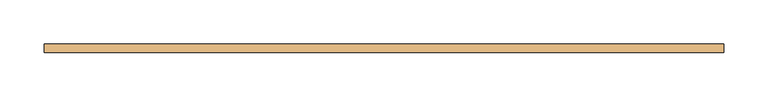
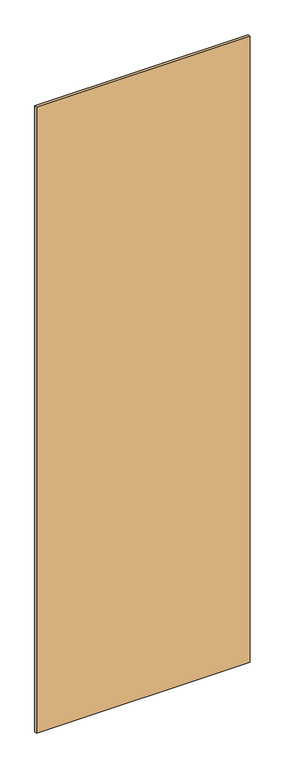
"""IFC4 building model written with IfcOpenShell, lengths in millimetres: door geometry."""

from ifc_helpers import new_model, si_unit, frame, origin, place, context, project, spatial, polyline, outline, extrude, source, transform, mapped, element, save


def door_a770f8ae(model_context):
    return source(origin(), model_context, "Body", "SweptSolid", [
        extrude(outline(polyline([(385.7777778, -5.0), (-385.7777778, -5.0), (-385.7777778, 5.0), (385.7777778, 5.0), (385.7777778, -5.0)])), frame((0.0, 0.0, 78.0), z_axis=(0.0, 0.0, 1.0), x_axis=(1.0, 0.0, 0.0)), (0.0, 0.0, 1.0), 2386.0),
    ])


if __name__ == "__main__":
    model = new_model("IFC4")
    model_context = context("Model", 3, world=origin())
    ifc_project = project(units=[si_unit("LENGTHUNIT", "METRE", prefix="MILLI")], contexts=[model_context])
    site = spatial("IfcSite", under=ifc_project)
    building = spatial("IfcBuilding", under=site)
    placement = place(None, origin())
    door_shape = door_a770f8ae(model_context)
    element("IfcDoor", 1, at=placement, inside=building, context=model_context, shape_type="MappedRepresentation", body=[
        mapped(door_shape, transform((0.0, 0.0, 0.0), x_axis=(1.0, 0.0, 0.0), y_axis=(0.0, 1.0, 0.0), z_axis=(0.0, 0.0, 1.0))),
    ])
    save(model, "model.ifc")
